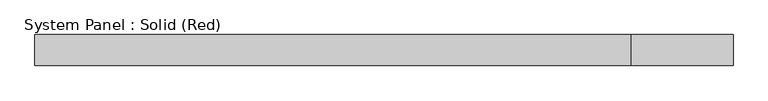
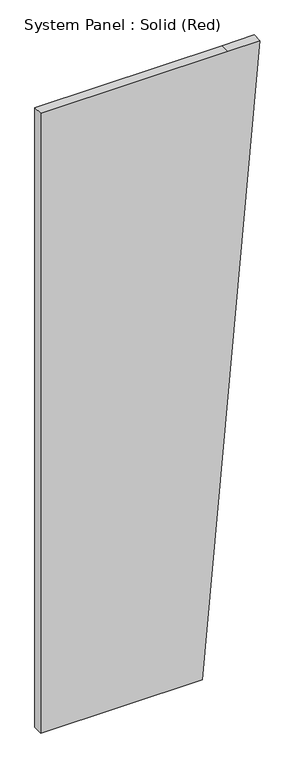
"""IFC4 building model written with IfcOpenShell, lengths in millimetres: plate geometry, System Panel : Solid (Red)."""

from ifc_helpers import new_model, si_unit, frame, origin, place, context, project, spatial, polyline, outline, extrude, source, transform, mapped, element, save


def system_panel_solid_red_590594c2(model_context):
    return source(origin(), model_context, "Body", "SweptSolid", [
        extrude(outline(polyline([(0.0, -713.8736841), (0.0, 339.5578946), (1889.7600035, 505.3263159), (4267.2, 713.8736841), (4267.2, 505.3263159), (4267.2, -713.8736841), (0.0, -713.8736841)])), frame((0.0, -19.05, 0.0), z_axis=(0.0, 1.0, 0.0), x_axis=(0.0, 0.0, 1.0)), (0.0, 0.0, 1.0), 63.5),
    ])


if __name__ == "__main__":
    model = new_model("IFC4")
    model_context = context("Model", 3, world=origin())
    ifc_project = project(units=[si_unit("LENGTHUNIT", "METRE", prefix="MILLI")], contexts=[model_context])
    site = spatial("IfcSite", under=ifc_project)
    building = spatial("IfcBuilding", under=site)
    placement = place(None, origin())
    system_panel_solid_red_shape = system_panel_solid_red_590594c2(model_context)
    element("IfcPlate", 1, ObjectType="System Panel : Solid (Red)", at=placement, inside=building, context=model_context, shape_type="MappedRepresentation", body=[
        mapped(system_panel_solid_red_shape, transform((0.0, 0.0, 0.0), x_axis=(1.0, 0.0, 0.0), y_axis=(0.0, 1.0, 0.0), z_axis=(0.0, 0.0, 1.0))),
    ])
    save(model, "model.ifc")
